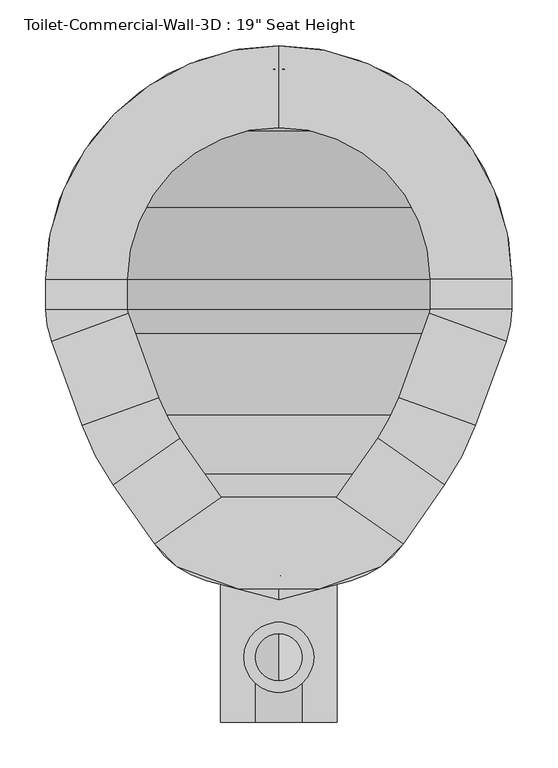
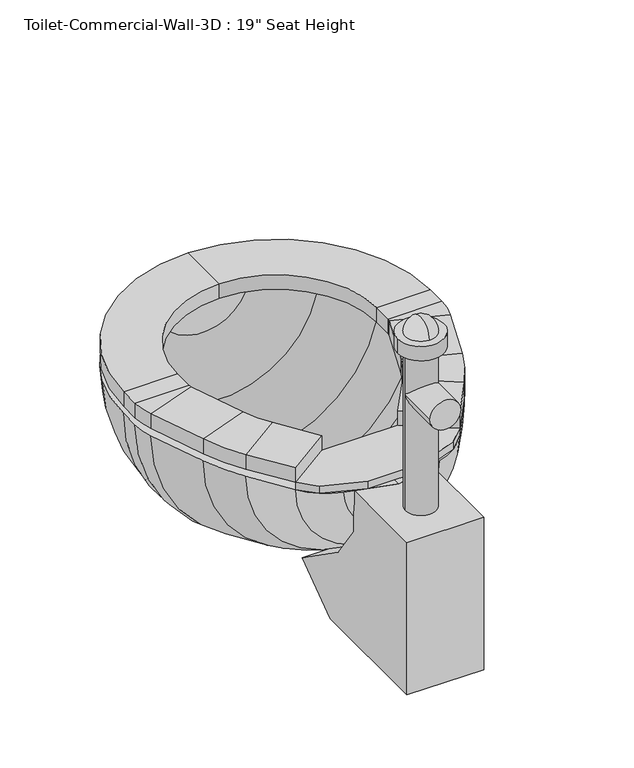
"""IFC4 building model written with IfcOpenShell, lengths in millimetres: flow terminal geometry."""

from ifc_helpers import new_model, si_unit, point, frame, frame_2d, origin, place, context, project, spatial, polyline, circle_curve, ellipse_curve, trimmed, segment, composite_curve, outline, extrude, source, transform, mapped, element, save
from ifc_brep_helpers import plane_surface, cylinder_surface, revolved_surface, advanced_brep


def flow_terminal_9e87e8d3(model_context):
    return source(origin(), model_context, "Body", "SolidModel", [
        extrude(outline(polyline([(467.7541169, 306.9472495), (540.5767337, 255.9563043), (515.6262519, 231.0058226), (449.563909, 206.9610961), (360.2423986, 206.9610961), (294.1800557, 231.0058226), (269.229574, 255.9563043), (342.0521907, 306.9472495), (467.7541169, 306.9472495)])), frame((0.0, 0.0, 444.5), z_axis=(0.0, 0.0, 1.0), x_axis=(1.0, 0.0, 0.0)), (0.0, 0.0, 1.0), 12.7),
        advanced_brep(
        [(467.7541169, 306.9472495, 457.2), (540.5767337, 255.9563043, 457.2), (540.5767337, 255.9563043, 482.6), (467.7541169, 306.9472495, 482.6), (512.8583992, 371.3628403, 457.2), (585.6810159, 320.3718951, 457.2), (585.6810159, 320.3718951, 482.6), (512.8583992, 371.3628403, 482.6), (619.360053, 385.0687234, 457.2), (535.821379, 415.4743141, 457.2), (619.360053, 385.0687234, 482.6), (535.821379, 415.4743141, 482.6), (569.2372501, 507.2836654, 457.2), (652.7759241, 476.8780747, 457.2), (652.7759241, 476.8780747, 482.6), (569.2372501, 507.2836654, 482.6), (658.9031538, 511.6273212, 457.2), (570.0031538, 511.6273212, 457.2), (658.9031538, 511.6273212, 482.6), (570.0031538, 511.6273212, 482.6), (570.0031538, 544.5125, 457.2), (658.9031538, 544.5125, 457.2), (658.9031538, 544.5125, 482.6), (570.0031538, 544.5125, 482.6), (404.9031538, 798.5125, 457.2), (404.9031538, 709.6125, 457.2), (404.9031538, 798.5125, 482.6), (404.9031538, 709.6125, 482.6), (150.9031538, 544.5125, 457.2), (239.8031538, 544.5125, 457.2), (150.9031538, 544.5125, 482.6), (239.8031538, 544.5125, 482.6), (239.8031538, 511.6273212, 457.2), (150.9031538, 511.6273212, 457.2), (150.9031538, 511.6273212, 482.6), (239.8031538, 511.6273212, 482.6), (157.0303835, 476.8780747, 457.2), (240.5690575, 507.2836654, 457.2), (157.0303835, 476.8780747, 482.6), (240.5690575, 507.2836654, 482.6), (273.9849286, 415.4743141, 457.2), (190.4462546, 385.0687234, 457.2), (190.4462546, 385.0687234, 482.6), (273.9849286, 415.4743141, 482.6), (224.1252917, 320.3718951, 457.2), (296.9479084, 371.3628403, 457.2), (224.1252917, 320.3718951, 482.6), (296.9479084, 371.3628403, 482.6), (342.0521907, 306.9472495, 457.2), (342.0521907, 306.9472495, 482.6), (269.229574, 255.9563043, 482.6), (269.229574, 255.9563043, 457.2)],
        [
            (0, 1),
            (1, 2),
            (2, 3),
            (3, 0),
            (0, 4),
            (4, 5),
            (5, 1),
            (5, 6),
            (6, 2),
            (6, 7),
            (7, 3),
            (7, 4),
            (8, 5, circle_curve(frame((356.8099347, 480.6291514, 457.2), z_axis=(0.0, 0.0, -1.0), x_axis=(0.81915204428899, -0.5735764363510486, 0.0)), 279.4)),
            (4, 9, circle_curve(frame((356.8099347, 480.6291514, 457.2), z_axis=(0.0, 0.0, 1.0), x_axis=(0.81915204428899, -0.5735764363510486, 0.0)), 190.5)),
            (9, 8),
            (10, 6, circle_curve(frame((356.8099347, 480.6291514, 482.6), z_axis=(0.0, 0.0, -1.0), x_axis=(0.81915204428899, -0.5735764363510486, 0.0)), 279.4)),
            (8, 10),
            (11, 7, circle_curve(frame((356.8099347, 480.6291514, 482.6), z_axis=(0.0, 0.0, -1.0), x_axis=(0.81915204428899, -0.5735764363510486, 0.0)), 190.5)),
            (10, 11),
            (11, 9),
            (9, 12),
            (12, 13),
            (13, 8),
            (13, 14),
            (14, 10),
            (14, 15),
            (15, 11),
            (15, 12),
            (16, 13, circle_curve(frame((557.3031538, 511.6273212, 457.2), z_axis=(0.0, 0.0, -1.0), x_axis=(0.9396926207859057, -0.3420201433256761, 0.0)), 101.6)),
            (12, 17, circle_curve(frame((557.3031538, 511.6273212, 457.2), z_axis=(0.0, 0.0, 1.0), x_axis=(0.9396926207859057, -0.3420201433256761, 0.0)), 12.7)),
            (17, 16),
            (18, 14, circle_curve(frame((557.3031538, 511.6273212, 482.6), z_axis=(0.0, 0.0, -1.0), x_axis=(0.9396926207859057, -0.3420201433256761, 0.0)), 101.6)),
            (16, 18),
            (19, 15, circle_curve(frame((557.3031538, 511.6273212, 482.6), z_axis=(0.0, 0.0, -1.0), x_axis=(0.9396926207859057, -0.3420201433256761, 0.0)), 12.7)),
            (18, 19),
            (19, 17),
            (17, 20),
            (20, 21),
            (21, 16),
            (21, 22),
            (22, 18),
            (22, 23),
            (23, 19),
            (23, 20),
            (24, 21, circle_curve(frame((404.9031538, 544.5125, 457.2), z_axis=(0.0, 0.0, -1.0), x_axis=(1.0, 0.0, 0.0)), 254.0)),
            (20, 25, circle_curve(frame((404.9031538, 544.5125, 457.2), z_axis=(0.0, 0.0, 1.0), x_axis=(1.0, 0.0, 0.0)), 165.1)),
            (25, 24),
            (26, 22, circle_curve(frame((404.9031538, 544.5125, 482.6), z_axis=(0.0, 0.0, -1.0), x_axis=(1.0, 0.0, 0.0)), 254.0)),
            (24, 26),
            (27, 23, circle_curve(frame((404.9031538, 544.5125, 482.6), z_axis=(0.0, 0.0, -1.0), x_axis=(1.0, 0.0, 0.0)), 165.1)),
            (26, 27),
            (27, 25),
            (28, 24, circle_curve(frame((404.9031538, 544.5125, 457.2), z_axis=(0.0, 0.0, -1.0), x_axis=(0.0, 1.0, 0.0)), 254.0)),
            (25, 29, circle_curve(frame((404.9031538, 544.5125, 457.2), z_axis=(0.0, 0.0, 1.0), x_axis=(0.0, 1.0, 0.0)), 165.1)),
            (29, 28),
            (30, 26, circle_curve(frame((404.9031538, 544.5125, 482.6), z_axis=(0.0, 0.0, -1.0), x_axis=(0.0, 1.0, 0.0)), 254.0)),
            (28, 30),
            (31, 27, circle_curve(frame((404.9031538, 544.5125, 482.6), z_axis=(0.0, 0.0, -1.0), x_axis=(0.0, 1.0, 0.0)), 165.1)),
            (30, 31),
            (31, 29),
            (29, 32),
            (32, 33),
            (33, 28),
            (33, 34),
            (34, 30),
            (34, 35),
            (35, 31),
            (35, 32),
            (36, 33, circle_curve(frame((252.5031538, 511.6273212, 457.2), z_axis=(0.0, 0.0, -1.0), x_axis=(-1.0, 0.0, 0.0)), 101.6)),
            (32, 37, circle_curve(frame((252.5031538, 511.6273212, 457.2), z_axis=(0.0, 0.0, 1.0), x_axis=(-1.0, 0.0, 0.0)), 12.7)),
            (37, 36),
            (38, 34, circle_curve(frame((252.5031538, 511.6273212, 482.6), z_axis=(0.0, 0.0, -1.0), x_axis=(-1.0, 0.0, 0.0)), 101.6)),
            (36, 38),
            (39, 35, circle_curve(frame((252.5031538, 511.6273212, 482.6), z_axis=(0.0, 0.0, -1.0), x_axis=(-1.0, 0.0, 0.0)), 12.7)),
            (38, 39),
            (39, 37),
            (37, 40),
            (40, 41),
            (41, 36),
            (41, 42),
            (42, 38),
            (42, 43),
            (43, 39),
            (43, 40),
            (44, 41, circle_curve(frame((452.9963729, 480.6291514, 457.2), z_axis=(0.0, 0.0, -1.0), x_axis=(-0.939692620785909, -0.3420201433256672, 0.0)), 279.4)),
            (40, 45, circle_curve(frame((452.9963729, 480.6291514, 457.2), z_axis=(0.0, 0.0, 1.0), x_axis=(-0.939692620785909, -0.3420201433256672, 0.0)), 190.5)),
            (45, 44),
            (46, 42, circle_curve(frame((452.9963729, 480.6291514, 482.6), z_axis=(0.0, 0.0, -1.0), x_axis=(-0.939692620785909, -0.3420201433256672, 0.0)), 279.4)),
            (44, 46),
            (47, 43, circle_curve(frame((452.9963729, 480.6291514, 482.6), z_axis=(0.0, 0.0, -1.0), x_axis=(-0.939692620785909, -0.3420201433256672, 0.0)), 190.5)),
            (46, 47),
            (47, 45),
            (48, 49),
            (49, 50),
            (50, 51),
            (51, 48),
            (45, 48),
            (51, 44),
            (50, 46),
            (49, 47),
        ],
        [
            plane_surface(frame((540.5767337, 255.9563043, 541.2203184), z_axis=(-0.5735764363510388, -0.8191520442889969, 0.0), x_axis=(0.8191520442889969, -0.5735764363510388, 0.0))),
            plane_surface(frame((467.7541169, 306.9472495, 457.2), z_axis=(0.0, 0.0, -1.0000000000000002), x_axis=(0.5735764363510386, 0.8191520442889971, 0.0))),
            plane_surface(frame((540.5767337, 255.9563043, 457.2), z_axis=(0.8191520442889969, -0.5735764363510387, 0.0), x_axis=(0.5735764363510387, 0.8191520442889969, 0.0))),
            plane_surface(frame((540.5767337, 255.9563043, 482.6), z_axis=(0.0, 0.0, 1.0), x_axis=(0.5735764363510382, 0.8191520442889973, 0.0))),
            plane_surface(frame((467.7541169, 306.9472495, 482.6), z_axis=(-0.8191520442889973, 0.5735764363510382, 0.0), x_axis=(0.5735764363510382, 0.8191520442889973, 0.0))),
            plane_surface(frame((356.8099347, 480.6291514, 457.2), z_axis=(0.0, 0.0, -1.0), x_axis=(0.81915204428899, -0.5735764363510486, 0.0))),
            cylinder_surface(frame((356.8099347, 480.6291514, 444.5), z_axis=(0.0, 0.0, 1.0), x_axis=(0.81915204428899, -0.5735764363510486, 0.0)), 279.4),
            plane_surface(frame((356.8099347, 480.6291514, 482.6), z_axis=(0.0, 0.0, 1.0), x_axis=(0.81915204428899, -0.5735764363510486, 0.0))),
            revolved_surface(polyline([(512.8583991370526, 371.3628402751252, 482.6), (512.8583991370526, 371.3628402751252, 457.2)]), (356.8099347, 480.6291514, 444.5), (0.0, 0.0, 1.0)),
            plane_surface(frame((535.821379, 415.4743141, 457.2), z_axis=(0.0, 0.0, -1.0), x_axis=(0.3420201433256628, 0.9396926207859105, 0.0))),
            plane_surface(frame((619.360053, 385.0687234, 457.2), z_axis=(0.9396926207859104, -0.3420201433256633, 0.0), x_axis=(0.3420201433256633, 0.9396926207859104, 0.0))),
            plane_surface(frame((619.360053, 385.0687234, 482.6), z_axis=(0.0, 0.0, 1.0000000000000002), x_axis=(0.3420201433256631, 0.9396926207859105, 0.0))),
            plane_surface(frame((535.821379, 415.4743141, 482.6), z_axis=(-0.9396926207859105, 0.3420201433256628, 0.0), x_axis=(0.3420201433256628, 0.9396926207859105, 0.0))),
            plane_surface(frame((557.3031538, 511.6273212, 457.2), z_axis=(0.0, 0.0, -1.0000000000000002), x_axis=(0.9396926207859058, -0.34202014332567615, 0.0))),
            cylinder_surface(frame((557.3031538, 511.6273212, 444.5), z_axis=(0.0, 0.0, 1.0), x_axis=(0.9396926207859057, -0.3420201433256761, 0.0)), 101.6),
            plane_surface(frame((557.3031538, 511.6273212, 482.6), z_axis=(0.0, 0.0, 1.0000000000000002), x_axis=(0.9396926207859058, -0.34202014332567615, 0.0))),
            revolved_surface(polyline([(569.237250083981, 507.2836653797639, 482.6), (569.237250083981, 507.2836653797639, 457.2)]), (557.3031538, 511.6273212, 444.5), (0.0, 0.0, 1.0)),
            plane_surface(frame((570.0031538, 511.6273212, 457.2), z_axis=(0.0, 0.0, -1.0), x_axis=(0.0, 1.0, 0.0))),
            plane_surface(frame((658.9031538, 511.6273212, 457.2), z_axis=(1.0, 0.0, 0.0), x_axis=(0.0, 1.0, 0.0))),
            plane_surface(frame((658.9031538, 511.6273212, 482.6), z_axis=(0.0, 0.0, 1.0), x_axis=(0.0, 1.0, 0.0))),
            plane_surface(frame((570.0031538, 511.6273212, 482.6), z_axis=(-1.0, 0.0, 0.0), x_axis=(0.0, 1.0, 0.0))),
            plane_surface(frame((404.9031538, 544.5125, 457.2), z_axis=(0.0, 0.0, -1.0), x_axis=(1.0, 0.0, 0.0))),
            cylinder_surface(frame((404.9031538, 544.5125, 444.5), z_axis=(0.0, 0.0, 1.0), x_axis=(1.0, 0.0, 0.0)), 254.0),
            plane_surface(frame((404.9031538, 544.5125, 482.6), z_axis=(0.0, 0.0, 1.0), x_axis=(1.0, 0.0, 0.0))),
            revolved_surface(polyline([(570.0031538, 544.5125, 482.6), (570.0031538, 544.5125, 457.2)]), (404.9031538, 544.5125, 444.5), (0.0, 0.0, 1.0)),
            plane_surface(frame((404.9031538, 544.5125, 457.2), z_axis=(0.0, 0.0, -1.0), x_axis=(0.0, 1.0, 0.0))),
            cylinder_surface(frame((404.9031538, 544.5125, 444.5), z_axis=(0.0, 0.0, 1.0), x_axis=(0.0, 1.0, 0.0)), 254.0),
            plane_surface(frame((404.9031538, 544.5125, 482.6), z_axis=(0.0, 0.0, 1.0), x_axis=(0.0, 1.0, 0.0))),
            revolved_surface(polyline([(404.9031538, 709.6125000000001, 482.6), (404.9031538, 709.6125000000001, 457.2)]), (404.9031538, 544.5125, 444.5), (0.0, 0.0, 1.0)),
            plane_surface(frame((239.8031538, 544.5125, 457.2), z_axis=(0.0, 0.0, -1.0), x_axis=(0.0, -1.0, 0.0))),
            plane_surface(frame((150.9031538, 544.5125, 457.2), z_axis=(-1.0, 0.0, 0.0), x_axis=(0.0, -1.0, 0.0))),
            plane_surface(frame((150.9031538, 544.5125, 482.6), z_axis=(0.0, 0.0, 1.0), x_axis=(0.0, -1.0, 0.0))),
            plane_surface(frame((239.8031538, 544.5125, 482.6), z_axis=(1.0, 0.0, 0.0), x_axis=(0.0, -1.0, 0.0))),
            plane_surface(frame((252.5031538, 511.6273212, 457.2), z_axis=(0.0, 0.0, -1.0), x_axis=(-1.0, 0.0, 0.0))),
            cylinder_surface(frame((252.5031538, 511.6273212, 444.5), z_axis=(0.0, 0.0, 1.0), x_axis=(-1.0, 0.0, 0.0)), 101.6),
            plane_surface(frame((252.5031538, 511.6273212, 482.6), z_axis=(0.0, 0.0, 1.0), x_axis=(-1.0, 0.0, 0.0))),
            revolved_surface(polyline([(239.80315380000002, 511.6273212, 482.6), (239.80315380000002, 511.6273212, 457.2)]), (252.5031538, 511.6273212, 444.5), (0.0, 0.0, 1.0)),
            plane_surface(frame((240.5690575, 507.2836654, 457.2), z_axis=(0.0, 0.0, -1.0), x_axis=(0.34202014332565533, -0.9396926207859133, 0.0))),
            plane_surface(frame((157.0303835, 476.8780747, 457.2), z_axis=(-0.9396926207859132, -0.34202014332565556, 0.0), x_axis=(0.34202014332565556, -0.9396926207859132, 0.0))),
            plane_surface(frame((157.0303835, 476.8780747, 482.6), z_axis=(0.0, 0.0, 1.0), x_axis=(0.3420201433256558, -0.9396926207859131, 0.0))),
            plane_surface(frame((240.5690575, 507.2836654, 482.6), z_axis=(0.9396926207859133, 0.34202014332565533, 0.0), x_axis=(0.34202014332565533, -0.9396926207859133, 0.0))),
            plane_surface(frame((452.9963729, 480.6291514, 457.2), z_axis=(0.0, 0.0, -1.0), x_axis=(-0.939692620785909, -0.3420201433256672, 0.0))),
            cylinder_surface(frame((452.9963729, 480.6291514, 444.5), z_axis=(0.0, 0.0, 1.0), x_axis=(-0.939692620785909, -0.3420201433256672, 0.0)), 279.4),
            plane_surface(frame((452.9963729, 480.6291514, 482.6), z_axis=(0.0, 0.0, 1.0), x_axis=(-0.939692620785909, -0.3420201433256672, 0.0))),
            revolved_surface(polyline([(273.98492864028435, 415.4743140964604, 482.6), (273.98492864028435, 415.4743140964604, 457.2)]), (452.9963729, 480.6291514, 444.5), (0.0, 0.0, 1.0)),
            plane_surface(frame((269.229574, 255.9563043, 347.7796816), z_axis=(0.5735764363510506, -0.8191520442889887, 0.0), x_axis=(0.8191520442889887, 0.5735764363510506, 0.0))),
            plane_surface(frame((296.9479084, 371.3628403, 457.2), z_axis=(0.0, 0.0, -1.0000000000000002), x_axis=(0.5735764363510507, -0.8191520442889887, 0.0))),
            plane_surface(frame((224.1252917, 320.3718951, 457.2), z_axis=(-0.8191520442889886, -0.5735764363510507, 0.0), x_axis=(0.5735764363510507, -0.8191520442889886, 0.0))),
            plane_surface(frame((224.1252917, 320.3718951, 482.6), z_axis=(0.0, 0.0, 1.0), x_axis=(0.5735764363510509, -0.8191520442889884, 0.0))),
            plane_surface(frame((296.9479084, 371.3628403, 482.6), z_axis=(0.8191520442889885, 0.573576436351051, 0.0), x_axis=(0.573576436351051, -0.8191520442889885, 0.0))),
        ],
        [
            (0, [[1, 2, 3, 4]]),
            (1, [[-1, 5, 6, 7]]),
            (2, [[-2, -7, 8, 9]]),
            (3, [[-3, -9, 10, 11]]),
            (4, [[-4, -11, 12, -5]]),
            (5, [[13, -6, 14, 15]]),
            (6, [[16, -8, -13, 17]]),
            (7, [[18, -10, -16, 19]]),
            (8, [[-14, -12, -18, 20]]),
            (9, [[-15, 21, 22, 23]]),
            (10, [[-17, -23, 24, 25]]),
            (11, [[-19, -25, 26, 27]]),
            (12, [[-20, -27, 28, -21]]),
            (13, [[29, -22, 30, 31]]),
            (14, [[32, -24, -29, 33]]),
            (15, [[34, -26, -32, 35]]),
            (16, [[-30, -28, -34, 36]]),
            (17, [[-31, 37, 38, 39]]),
            (18, [[-33, -39, 40, 41]]),
            (19, [[-35, -41, 42, 43]]),
            (20, [[-36, -43, 44, -37]]),
            (21, [[45, -38, 46, 47]]),
            (22, [[48, -40, -45, 49]]),
            (23, [[50, -42, -48, 51]]),
            (24, [[-46, -44, -50, 52]]),
            (25, [[53, -47, 54, 55]]),
            (26, [[56, -49, -53, 57]]),
            (27, [[58, -51, -56, 59]]),
            (28, [[-54, -52, -58, 60]]),
            (29, [[-55, 61, 62, 63]]),
            (30, [[-57, -63, 64, 65]]),
            (31, [[-59, -65, 66, 67]]),
            (32, [[-60, -67, 68, -61]]),
            (33, [[69, -62, 70, 71]]),
            (34, [[72, -64, -69, 73]]),
            (35, [[74, -66, -72, 75]]),
            (36, [[-70, -68, -74, 76]]),
            (37, [[-71, 77, 78, 79]]),
            (38, [[-73, -79, 80, 81]]),
            (39, [[-75, -81, 82, 83]]),
            (40, [[-76, -83, 84, -77]]),
            (41, [[85, -78, 86, 87]]),
            (42, [[88, -80, -85, 89]]),
            (43, [[90, -82, -88, 91]]),
            (44, [[-86, -84, -90, 92]]),
            (45, [[93, 94, 95, 96]]),
            (46, [[-87, 97, -96, 98]]),
            (47, [[-89, -98, -95, 99]]),
            (48, [[-91, -99, -94, 100]]),
            (49, [[-92, -100, -93, -97]]),
        ],
    ),
        advanced_brep(
        [(491.7762702, 783.1944257, 444.5), (404.9031538, 798.5125, 444.5), (404.9031538, 773.1125, 444.5), (483.0889586, 759.3262331, 444.5), (566.547764, 706.1571102, 444.5), (619.7168869, 622.6983048, 444.5), (633.5031538, 544.5125, 444.5), (633.5031538, 511.6273212, 444.5), (628.9077315, 485.5653863, 444.5), (596.6355667, 396.8983422, 444.5), (562.9565296, 332.2015139, 444.5), (525.0728964, 278.0980786, 444.5), (468.1430637, 238.2353806, 444.5), (404.9031538, 221.2902978, 444.5), (404.9031538, 194.9942829, 444.5), (483.6469009, 216.0936063, 444.5), (540.5767337, 255.9563043, 444.5), (585.6810159, 320.3718951, 444.5), (619.360053, 385.0687234, 444.5), (652.7759241, 476.8780747, 444.5), (658.9031538, 511.6273212, 444.5), (658.9031538, 544.5125, 444.5), (643.5850795, 631.3856164, 444.5), (584.5082762, 724.1176224, 444.5), (318.0300374, 783.1944257, 444.5), (225.2980314, 724.1176224, 444.5), (166.2212281, 631.3856164, 444.5), (150.9031538, 544.5125, 444.5), (150.9031538, 511.6273212, 444.5), (157.0303835, 476.8780747, 444.5), (190.4462546, 385.0687234, 444.5), (224.1252917, 320.3718951, 444.5), (269.229574, 255.9563043, 444.5), (326.1594067, 216.0936063, 444.5), (341.663244, 238.2353806, 444.5), (284.7334112, 278.0980786, 444.5), (246.849778, 332.2015139, 444.5), (213.1707409, 396.8983422, 444.5), (180.8985761, 485.5653863, 444.5), (176.3031538, 511.6273212, 444.5), (176.3031538, 544.5125, 444.5), (190.0894207, 622.6983048, 444.5), (243.2585436, 706.1571102, 444.5), (326.7173491, 759.3262331, 444.5)],
        [
            (0, 1, circle_curve(frame((404.9031538, 544.5125, 444.5), z_axis=(0.0, 0.0, 1.0), x_axis=(1.0, 0.0, 0.0)), 254.0)),
            (1, 2),
            (2, 3, circle_curve(frame((404.9031538, 544.5125, 444.5), z_axis=(0.0, 0.0, -1.0), x_axis=(1.0, 0.0, 0.0)), 228.6)),
            (3, 4, circle_curve(frame((404.9031538, 544.5125, 444.5), z_axis=(0.0, 0.0, -1.0), x_axis=(1.0, 0.0, 0.0)), 228.6)),
            (4, 5, circle_curve(frame((404.9031538, 544.5125, 444.5), z_axis=(0.0, 0.0, -1.0), x_axis=(1.0, 0.0, 0.0)), 228.6)),
            (5, 6, circle_curve(frame((404.9031538, 544.5125, 444.5), z_axis=(0.0, 0.0, -1.0), x_axis=(1.0, 0.0, 0.0)), 228.6)),
            (6, 7),
            (7, 8, circle_curve(frame((557.3031538, 511.6273212, 444.5), z_axis=(0.0, 0.0, -1.0), x_axis=(1.0, 0.0, 0.0)), 76.2)),
            (8, 9),
            (9, 10, circle_curve(frame((334.0854485, 492.4587703, 444.5), z_axis=(0.0, 0.0, -1.0), x_axis=(1.0, 0.0, 0.0)), 279.4)),
            (10, 11),
            (11, 12, circle_curve(frame((441.8470487, 336.3734446, 444.5), z_axis=(0.0, 0.0, -1.0), x_axis=(1.0, 0.0, 0.0)), 101.6)),
            (12, 13),
            (13, 14),
            (14, 15),
            (15, 16, circle_curve(frame((457.350886, 314.2316703, 444.5), z_axis=(0.0, 0.0, 1.0), x_axis=(1.0, 0.0, 0.0)), 101.6)),
            (16, 17),
            (17, 18, circle_curve(frame((356.8099347, 480.6291514, 444.5), z_axis=(0.0, 0.0, 1.0), x_axis=(1.0, 0.0, 0.0)), 279.4)),
            (18, 19),
            (19, 20, circle_curve(frame((557.3031538, 511.6273212, 444.5), z_axis=(0.0, 0.0, 1.0), x_axis=(1.0, 0.0, 0.0)), 101.6)),
            (20, 21),
            (21, 22, circle_curve(frame((404.9031538, 544.5125, 444.5), z_axis=(0.0, 0.0, 1.0), x_axis=(1.0, 0.0, 0.0)), 254.0)),
            (22, 23, circle_curve(frame((404.9031538, 544.5125, 444.5), z_axis=(0.0, 0.0, 1.0), x_axis=(1.0, 0.0, 0.0)), 254.0)),
            (23, 0, circle_curve(frame((404.9031538, 544.5125, 444.5), z_axis=(0.0, 0.0, 1.0), x_axis=(1.0, 0.0, 0.0)), 254.0)),
            (24, 25, circle_curve(frame((404.9031538, 544.5125, 444.5), z_axis=(0.0, 0.0, 1.0), x_axis=(-1.0, 0.0, 0.0)), 254.0)),
            (25, 26, circle_curve(frame((404.9031538, 544.5125, 444.5), z_axis=(0.0, 0.0, 1.0), x_axis=(-1.0, 0.0, 0.0)), 254.0)),
            (26, 27, circle_curve(frame((404.9031538, 544.5125, 444.5), z_axis=(0.0, 0.0, 1.0), x_axis=(-1.0, 0.0, 0.0)), 254.0)),
            (27, 28),
            (28, 29, circle_curve(frame((252.5031538, 511.6273212, 444.5), z_axis=(0.0, 0.0, 1.0), x_axis=(-1.0, 0.0, 0.0)), 101.6)),
            (29, 30),
            (30, 31, circle_curve(frame((452.9963729, 480.6291514, 444.5), z_axis=(0.0, 0.0, 1.0), x_axis=(-1.0, 0.0, 0.0)), 279.4)),
            (31, 32),
            (32, 33, circle_curve(frame((352.4554217, 314.2316703, 444.5), z_axis=(0.0, 0.0, 1.0), x_axis=(-1.0, 0.0, 0.0)), 101.6)),
            (33, 14),
            (13, 34),
            (34, 35, circle_curve(frame((367.9592589, 336.3734446, 444.5), z_axis=(0.0, 0.0, -1.0), x_axis=(-1.0, 0.0, 0.0)), 101.6)),
            (35, 36),
            (36, 37, circle_curve(frame((475.7208592, 492.4587703, 444.5), z_axis=(0.0, 0.0, -1.0), x_axis=(-1.0, 0.0, 0.0)), 279.4)),
            (37, 38),
            (38, 39, circle_curve(frame((252.5031538, 511.6273212, 444.5), z_axis=(0.0, 0.0, -1.0), x_axis=(-1.0, 0.0, 0.0)), 76.2)),
            (39, 40),
            (40, 41, circle_curve(frame((404.9031538, 544.5125, 444.5), z_axis=(0.0, 0.0, -1.0), x_axis=(-1.0, 0.0, 0.0)), 228.6)),
            (41, 42, circle_curve(frame((404.9031538, 544.5125, 444.5), z_axis=(0.0, 0.0, -1.0), x_axis=(-1.0, 0.0, 0.0)), 228.6)),
            (42, 43, circle_curve(frame((404.9031538, 544.5125, 444.5), z_axis=(0.0, 0.0, -1.0), x_axis=(-1.0, 0.0, 0.0)), 228.6)),
            (43, 2, circle_curve(frame((404.9031538, 544.5125, 444.5), z_axis=(0.0, 0.0, -1.0), x_axis=(-1.0, 0.0, 0.0)), 228.6)),
            (1, 24, circle_curve(frame((404.9031538, 544.5125, 444.5), z_axis=(0.0, 0.0, 1.0), x_axis=(-1.0, 0.0, 0.0)), 254.0)),
            (0, 24, circle_curve(frame((404.9031538, 783.1944257, 444.5), z_axis=(0.0, 1.0, 0.0), x_axis=(1.0, 0.0, 0.0)), 86.8731164)),
            (43, 3, circle_curve(frame((404.9031538, 759.3262331, 444.5), z_axis=(0.0, -1.0, 0.0), x_axis=(1.0, 0.0, 0.0)), 78.1858048)),
            (42, 4, circle_curve(frame((404.9031538, 706.1571102, 444.5), z_axis=(0.0, -1.0, 0.0), x_axis=(1.0, 0.0, 0.0)), 161.6446102)),
            (41, 5, circle_curve(frame((404.9031538, 622.6983048, 444.5), z_axis=(0.0, -1.0, 0.0), x_axis=(1.0, 0.0, 0.0)), 214.8137331)),
            (40, 6, circle_curve(frame((404.9031538, 544.5125, 444.5), z_axis=(0.0, -1.0, 0.0), x_axis=(1.0, 0.0, 0.0)), 228.6)),
            (39, 7, circle_curve(frame((404.9031538, 511.6273212, 444.5), z_axis=(0.0, -1.0, 0.0), x_axis=(1.0, 0.0, 0.0)), 228.6)),
            (38, 8, circle_curve(frame((404.9031538, 485.5653863, 444.5), z_axis=(0.0, -1.0, 0.0), x_axis=(1.0, 0.0, 0.0)), 224.0045777)),
            (37, 9, circle_curve(frame((404.9031538, 396.8983422, 444.5), z_axis=(0.0, -1.0, 0.0), x_axis=(1.0, 0.0, 0.0)), 191.7324129)),
            (36, 10, circle_curve(frame((404.9031538, 332.2015139, 444.5), z_axis=(0.0, -1.0, 0.0), x_axis=(1.0, 0.0, 0.0)), 158.0533758)),
            (35, 11, circle_curve(frame((404.9031538, 278.0980786, 444.5), z_axis=(0.0, -1.0, 0.0), x_axis=(1.0, 0.0, 0.0)), 120.1697426)),
            (34, 12, circle_curve(frame((404.9031538, 238.2353806, 444.5), z_axis=(0.0, -1.0, 0.0), x_axis=(1.0, 0.0, 0.0)), 63.2399099)),
            (33, 15, circle_curve(frame((404.9031538, 216.0936063, 444.5), z_axis=(0.0, -1.0, 0.0), x_axis=(1.0, 0.0, 0.0)), 78.7437471)),
            (32, 16, circle_curve(frame((404.9031538, 255.9563043, 444.5), z_axis=(0.0, -1.0, 0.0), x_axis=(1.0, 0.0, 0.0)), 135.6735798)),
            (31, 17, circle_curve(frame((404.9031538, 320.3718951, 444.5), z_axis=(0.0, -1.0, 0.0), x_axis=(1.0, 0.0, 0.0)), 180.7778621)),
            (30, 18, circle_curve(frame((404.9031538, 385.0687234, 444.5), z_axis=(0.0, -1.0, 0.0), x_axis=(1.0, 0.0, 0.0)), 214.4568992)),
            (29, 19, circle_curve(frame((404.9031538, 476.8780747, 444.5), z_axis=(0.0, -1.0, 0.0), x_axis=(1.0, 0.0, 0.0)), 247.8727703)),
            (28, 20, circle_curve(frame((404.9031538, 511.6273212, 444.5), z_axis=(0.0, -1.0, 0.0), x_axis=(1.0, 0.0, 0.0)), 254.0)),
            (27, 21, circle_curve(frame((404.9031538, 544.5125, 444.5), z_axis=(0.0, -1.0, 0.0), x_axis=(1.0, 0.0, 0.0)), 254.0)),
            (26, 22, circle_curve(frame((404.9031538, 631.3856164, 444.5), z_axis=(0.0, -1.0, 0.0), x_axis=(1.0, 0.0, 0.0)), 238.6819257)),
            (25, 23, circle_curve(frame((404.9031538, 724.1176224, 444.5), z_axis=(0.0, -1.0, 0.0), x_axis=(1.0, 0.0, 0.0)), 179.6051224)),
        ],
        [
            plane_surface(frame((404.9031538, 903.7227448, 444.5), z_axis=(0.0, 0.0, 1.0), x_axis=(1.0, 0.0, 0.0))),
            plane_surface(frame((404.9031538, 903.7227448, 444.5), z_axis=(0.0, 0.0, 1.0), x_axis=(-1.0, 0.0, 0.0))),
            revolved_surface(trimmed(ellipse_curve(frame((404.9031538, 544.5125, 444.5), z_axis=(0.0, 0.0, 1.0), x_axis=(1.0, 0.0, 0.0)), 254.0, 254.0), [point((491.7762702, 783.1944257, 444.5))], [point((404.9031538, 798.5125, 444.5))], True, "CARTESIAN"), (404.9031538, 903.7227448, 444.5), (0.0, 1.0, 0.0)),
            revolved_surface(trimmed(ellipse_curve(frame((404.9031538, 544.5125, 444.5), z_axis=(0.0, 0.0, -1.0), x_axis=(1.0, 0.0, 0.0)), 228.6, 228.6), [point((404.9031538, 773.1125, 444.5))], [point((483.0889586, 759.3262331, 444.5))], True, "CARTESIAN"), (404.9031538, 903.7227448, 444.5), (0.0, 1.0, 0.0)),
            revolved_surface(trimmed(ellipse_curve(frame((404.9031538, 544.5125, 444.5), z_axis=(0.0, 0.0, -1.0), x_axis=(1.0, 0.0, 0.0)), 228.6, 228.6), [point((483.0889586, 759.3262331, 444.5))], [point((566.547764, 706.1571102, 444.5))], True, "CARTESIAN"), (404.9031538, 903.7227448, 444.5), (0.0, 1.0, 0.0)),
            revolved_surface(trimmed(ellipse_curve(frame((404.9031538, 544.5125, 444.5), z_axis=(0.0, 0.0, -1.0), x_axis=(1.0, 0.0, 0.0)), 228.6, 228.6), [point((566.547764, 706.1571102, 444.5))], [point((619.7168869, 622.6983048, 444.5))], True, "CARTESIAN"), (404.9031538, 903.7227448, 444.5), (0.0, 1.0, 0.0)),
            revolved_surface(trimmed(ellipse_curve(frame((404.9031538, 544.5125, 444.5), z_axis=(0.0, 0.0, -1.0), x_axis=(1.0, 0.0, 0.0)), 228.6, 228.6), [point((619.7168869, 622.6983048, 444.5))], [point((633.5031538, 544.5125, 444.5))], True, "CARTESIAN"), (404.9031538, 903.7227448, 444.5), (0.0, 1.0, 0.0)),
            revolved_surface(polyline([(633.5031538, 544.5125, 444.5), (633.5031538, 511.6273212, 444.5)]), (404.9031538, 903.7227448, 444.5), (0.0, 1.0, 0.0)),
            revolved_surface(trimmed(ellipse_curve(frame((557.3031538, 511.6273212, 444.5), z_axis=(0.0, 0.0, -1.0), x_axis=(1.0, 0.0, 0.0)), 76.2, 76.2), [point((633.5031538, 511.6273212, 444.5))], [point((628.9077315, 485.5653863, 444.5))], True, "CARTESIAN"), (404.9031538, 903.7227448, 444.5), (0.0, 1.0, 0.0)),
            revolved_surface(polyline([(628.9077315, 485.5653863, 444.5), (596.6355667, 396.8983422, 444.5)]), (404.9031538, 903.7227448, 444.5), (0.0, 1.0, 0.0)),
            revolved_surface(trimmed(ellipse_curve(frame((334.0854485, 492.4587703, 444.5), z_axis=(0.0, 0.0, -1.0), x_axis=(1.0, 0.0, 0.0)), 279.4, 279.4), [point((596.6355667, 396.8983422, 444.5))], [point((562.9565296, 332.2015139, 444.5))], True, "CARTESIAN"), (404.9031538, 903.7227448, 444.5), (0.0, 1.0, 0.0)),
            revolved_surface(polyline([(562.9565296, 332.2015139, 444.5), (525.0728964, 278.0980786, 444.5)]), (404.9031538, 903.7227448, 444.5), (0.0, 1.0, 0.0)),
            revolved_surface(trimmed(ellipse_curve(frame((441.8470487, 336.3734446, 444.5), z_axis=(0.0, 0.0, -1.0), x_axis=(1.0, 0.0, 0.0)), 101.6, 101.6), [point((525.0728964, 278.0980786, 444.5))], [point((468.1430637, 238.2353806, 444.5))], True, "CARTESIAN"), (404.9031538, 903.7227448, 444.5), (0.0, 1.0, 0.0)),
            revolved_surface(polyline([(468.1430637, 238.2353806, 444.5), (404.9031538, 221.2902978, 444.5)]), (404.9031538, 903.7227448, 444.5), (0.0, 1.0, 0.0)),
            revolved_surface(polyline([(404.9031538, 194.9942829, 444.5), (483.6469009, 216.0936063, 444.5)]), (404.9031538, 903.7227448, 444.5), (0.0, 1.0, 0.0)),
            revolved_surface(trimmed(ellipse_curve(frame((457.350886, 314.2316703, 444.5), z_axis=(0.0, 0.0, 1.0), x_axis=(1.0, 0.0, 0.0)), 101.6, 101.6), [point((483.6469009, 216.0936063, 444.5))], [point((540.5767337, 255.9563043, 444.5))], True, "CARTESIAN"), (404.9031538, 903.7227448, 444.5), (0.0, 1.0, 0.0)),
            revolved_surface(polyline([(540.5767337, 255.9563043, 444.5), (585.6810159, 320.3718951, 444.5)]), (404.9031538, 903.7227448, 444.5), (0.0, 1.0, 0.0)),
            revolved_surface(trimmed(ellipse_curve(frame((356.8099347, 480.6291514, 444.5), z_axis=(0.0, 0.0, 1.0), x_axis=(1.0, 0.0, 0.0)), 279.4, 279.4), [point((585.6810159, 320.3718951, 444.5))], [point((619.360053, 385.0687234, 444.5))], True, "CARTESIAN"), (404.9031538, 903.7227448, 444.5), (0.0, 1.0, 0.0)),
            revolved_surface(polyline([(619.360053, 385.0687234, 444.5), (652.7759241, 476.8780747, 444.5)]), (404.9031538, 903.7227448, 444.5), (0.0, 1.0, 0.0)),
            revolved_surface(trimmed(ellipse_curve(frame((557.3031538, 511.6273212, 444.5), z_axis=(0.0, 0.0, 1.0), x_axis=(1.0, 0.0, 0.0)), 101.6, 101.6), [point((652.7759241, 476.8780747, 444.5))], [point((658.9031538, 511.6273212, 444.5))], True, "CARTESIAN"), (404.9031538, 903.7227448, 444.5), (0.0, 1.0, 0.0)),
            cylinder_surface(frame((404.9031538, 903.7227448, 444.5), z_axis=(0.0, 1.0, 0.0), x_axis=(1.0, 0.0, 0.0)), 254.0),
            revolved_surface(trimmed(ellipse_curve(frame((404.9031538, 544.5125, 444.5), z_axis=(0.0, 0.0, 1.0), x_axis=(1.0, 0.0, 0.0)), 254.0, 254.0), [point((658.9031538, 544.5125, 444.5))], [point((643.5850795, 631.3856164, 444.5))], True, "CARTESIAN"), (404.9031538, 903.7227448, 444.5), (0.0, 1.0, 0.0)),
            revolved_surface(trimmed(ellipse_curve(frame((404.9031538, 544.5125, 444.5), z_axis=(0.0, 0.0, 1.0), x_axis=(1.0, 0.0, 0.0)), 254.0, 254.0), [point((643.5850795, 631.3856164, 444.5))], [point((584.5082762, 724.1176224, 444.5))], True, "CARTESIAN"), (404.9031538, 903.7227448, 444.5), (0.0, 1.0, 0.0)),
            revolved_surface(trimmed(ellipse_curve(frame((404.9031538, 544.5125, 444.5), z_axis=(0.0, 0.0, 1.0), x_axis=(1.0, 0.0, 0.0)), 254.0, 254.0), [point((584.5082762, 724.1176224, 444.5))], [point((491.7762702, 783.1944257, 444.5))], True, "CARTESIAN"), (404.9031538, 903.7227448, 444.5), (0.0, 1.0, 0.0)),
        ],
        [
            (0, [[1, 2, 3, 4, 5, 6, 7, 8, 9, 10, 11, 12, 13, 14, 15, 16, 17, 18, 19, 20, 21, 22, 23, 24]]),
            (1, [[25, 26, 27, 28, 29, 30, 31, 32, 33, 34, -14, 35, 36, 37, 38, 39, 40, 41, 42, 43, 44, 45, -2, 46]]),
            (2, [[-1, 47, -46]]),
            (3, [[48, -3, -45]]),
            (4, [[49, -4, -48, -44]]),
            (5, [[50, -5, -49, -43]]),
            (6, [[51, -6, -50, -42]]),
            (7, [[52, -7, -51, -41]]),
            (8, [[53, -8, -52, -40]]),
            (9, [[54, -9, -53, -39]]),
            (10, [[55, -10, -54, -38]]),
            (11, [[56, -11, -55, -37]]),
            (12, [[57, -12, -56, -36]]),
            (13, [[-13, -57, -35]]),
            (14, [[58, -15, -34]]),
            (15, [[59, -16, -58, -33]]),
            (16, [[60, -17, -59, -32]]),
            (17, [[61, -18, -60, -31]]),
            (18, [[62, -19, -61, -30]]),
            (19, [[63, -20, -62, -29]]),
            (20, [[64, -21, -63, -28]]),
            (21, [[65, -22, -64, -27]]),
            (22, [[66, -23, -65, -26]]),
            (23, [[-47, -24, -66, -25]]),
        ],
    ),
        advanced_brep(
        [(404.9031538, 106.8301912, 749.3), (404.9031538, 158.0653563, 749.3), (404.9031538, 132.4477737, 774.9175826), (404.9031538, 132.4477737, 749.3)],
        [
            (0, 1, circle_curve(frame((404.9031538, 132.4477737, 749.3), z_axis=(0.0, 0.0, 1.0), x_axis=(0.0, 1.0, 0.0)), 25.6175826)),
            (1, 2, circle_curve(frame((404.9031538, 132.4477737, 749.3), z_axis=(1.0, 0.0, 0.0), x_axis=(0.0, -1.0, 0.0)), 25.6175826)),
            (2, 0, circle_curve(frame((404.9031538, 132.4477737, 749.3), z_axis=(1.0, 0.0, 0.0), x_axis=(0.0, 1.0, 0.0)), 25.6175826)),
            (1, 0, circle_curve(frame((404.9031538, 132.4477737, 749.3), z_axis=(0.0, 0.0, 1.0), x_axis=(0.0, 1.0, 0.0)), 25.6175826)),
            (3, 1),
            (0, 3),
        ],
        [
            revolved_surface(trimmed(ellipse_curve(frame((404.9031538, 132.4477737, 749.3), z_axis=(-1.0, 0.0, 0.0), x_axis=(0.0, -1.0, 0.0)), 25.6175826, 25.6175826), [point((404.9031538, 132.4477737, 774.9175826))], [point((404.9031538, 158.0653563, 749.3))], True, "CARTESIAN"), (404.9031538, 132.4477737, 813.9277273), (0.0, 0.0, -1.0)),
            plane_surface(frame((404.9031538, 132.4477737, 749.3), z_axis=(0.0, 0.0, -1.0), x_axis=(0.0, 1.0, 0.0))),
        ],
        [
            (0, [[1, 2, 3]]),
            (0, [[4, -3, -2]]),
            (1, [[5, -1, 6]]),
            (1, [[-6, -4, -5]]),
        ],
    ),
        extrude(outline(composite_curve([segment(trimmed(circle_curve(frame_2d((404.9031538, 132.4477737)), 38.1), [point((366.8031538, 132.4477737))], [point((443.0031538, 132.4477737))], False, "CARTESIAN"), True, "CONTINUOUS"), segment(trimmed(circle_curve(frame_2d((404.9031538, 132.4477737)), 38.1), [point((443.0031538, 132.4477737))], [point((366.8031538, 132.4477737))], False, "CARTESIAN"), True, "CONTINUOUS")], self_intersect=False)), frame((0.0, 0.0, 723.9), z_axis=(0.0, 0.0, 1.0), x_axis=(1.0, 0.0, 0.0)), (0.0, 0.0, 1.0), 25.4),
        extrude(outline(composite_curve([segment(trimmed(circle_curve(frame_2d((645.8113641, 404.9031538)), 25.4), [point((645.8113641, 379.5031538))], [point((645.8113641, 430.3031538))], False, "CARTESIAN"), True, "CONTINUOUS"), segment(trimmed(circle_curve(frame_2d((645.8113641, 404.9031538)), 25.4), [point((645.8113641, 430.3031538))], [point((645.8113641, 379.5031538))], False, "CARTESIAN"), True, "CONTINUOUS")], self_intersect=False)), frame((0.0, 61.9125, 0.0), z_axis=(0.0, 1.0, 0.0), x_axis=(0.0, 0.0, 1.0)), (0.0, 0.0, 1.0), 70.64375),
        extrude(outline(composite_curve([segment(trimmed(circle_curve(frame_2d((404.9031538, 132.4477737)), 25.4), [point((379.5031538, 132.4477737))], [point((430.3031538, 132.4477737))], False, "CARTESIAN"), True, "CONTINUOUS"), segment(trimmed(circle_curve(frame_2d((404.9031538, 132.4477737)), 25.4), [point((430.3031538, 132.4477737))], [point((379.5031538, 132.4477737))], False, "CARTESIAN"), True, "CONTINUOUS")], self_intersect=False)), frame((0.0, 0.0, 444.5), z_axis=(0.0, 0.0, 1.0), x_axis=(1.0, 0.0, 0.0)), (0.0, 0.0, 1.0), 279.4),
        extrude(outline(polyline([(214.7162941, 444.5), (214.7162941, 370.896452), (258.4228185, 308.4770663), (362.4551282, 235.6328588), (281.9579017, 177.8), (61.9125, 177.8), (61.9125, 444.5), (214.7162941, 444.5)])), frame((341.4031538, 0.0, 0.0), z_axis=(1.0, 0.0, 0.0), x_axis=(0.0, 1.0, 0.0)), (0.0, 0.0, 1.0), 127.0),
    ])


if __name__ == "__main__":
    model = new_model("IFC4")
    model_context = context("Model", 3, world=origin())
    ifc_project = project(units=[si_unit("LENGTHUNIT", "METRE", prefix="MILLI")], contexts=[model_context])
    site = spatial("IfcSite", under=ifc_project)
    building = spatial("IfcBuilding", under=site)
    placement = place(None, origin())
    flow_terminal_shape = flow_terminal_9e87e8d3(model_context)
    element("IfcFlowTerminal", 1, ObjectType="Toilet-Commercial-Wall-3D : 19\" Seat Height", at=placement, inside=building, context=model_context, shape_type="MappedRepresentation", body=[
        mapped(flow_terminal_shape, transform((0.0, 0.0, 0.0), x_axis=(1.0, 0.0, 0.0), y_axis=(0.0, 1.0, 0.0), z_axis=(0.0, 0.0, 1.0))),
    ])
    save(model, "model.ifc")
